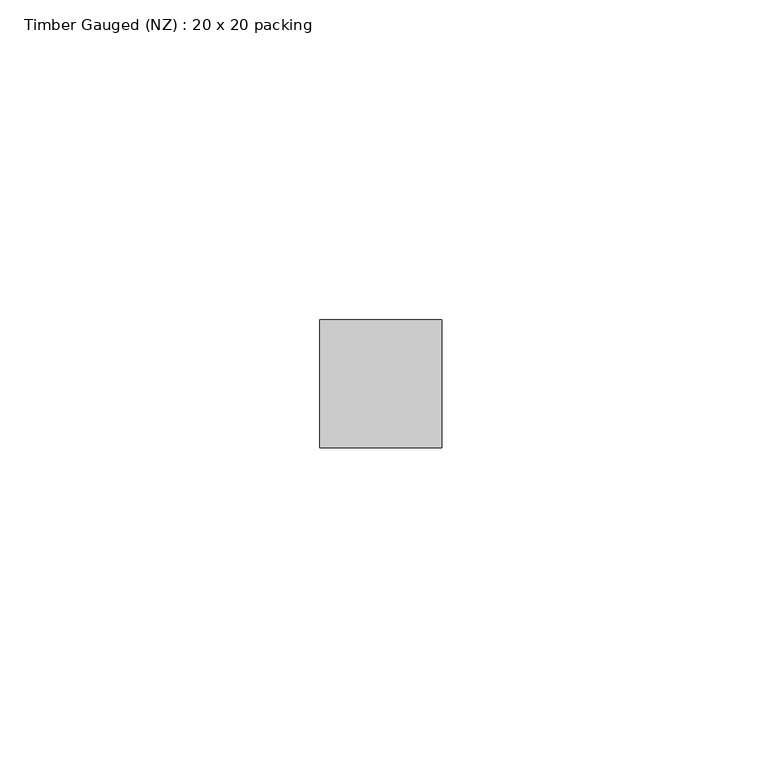
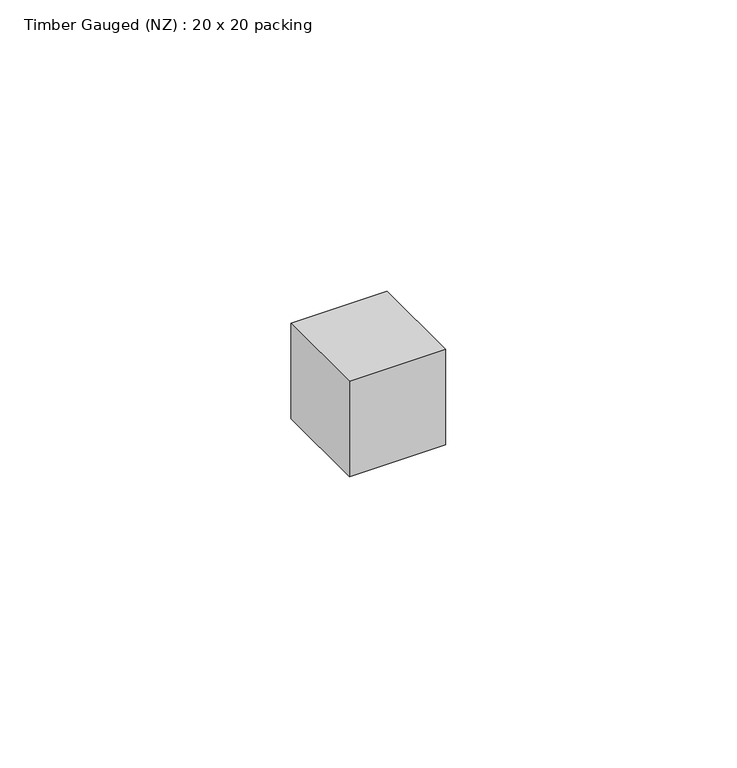
"""IFC4 building model written with IfcOpenShell, lengths in millimetres: beam geometry, Timber Gauged (NZ) : 20 x 20 packing."""

import ifcopenshell
import ifcopenshell.guid

model = None  # the IFC model being written
_history = None  # IfcOwnerHistory: only IFC2X3 demands one
_inside = {}  # id of a spatial element -> (the spatial element, [elements in it])
_under = {}  # id of a project, library or spatial element -> (it, [spatial elements below it])
_declared = {}  # id of a project -> (the project, [libraries it declares])
_typed = {}  # id of a type object -> (the type object, [elements of that type])
_made_of = {}  # id of a material, layer set ... -> (it, [elements and type objects made of it])


def new_model(schema):
    """Start an empty IFC model of exactly this schema.

    Asked for "IFC4X3", IfcOpenShell would pick the latest addendum, in which some entities
    have other attributes; the version numbers below select the first issue.
    IFC2X3 requires an IfcOwnerHistory on every rooted entity: one is made here for all.
    """
    global model, _history
    if schema == "IFC4X3":
        model = ifcopenshell.file(schema_version=(4, 3, 0, 0))
    else:
        model = ifcopenshell.file(schema=schema)
    _inside.clear()
    _under.clear()
    _declared.clear()
    _typed.clear()
    _made_of.clear()
    _history = None
    if model.schema == "IFC2X3":
        org = make("IfcOrganization", Name="unknown")
        user = make(
            "IfcPersonAndOrganization",
            ThePerson=make("IfcPerson", FamilyName="unknown"),
            TheOrganization=org,
        )
        app = make(
            "IfcApplication",
            ApplicationDeveloper=org,
            Version="unknown",
            ApplicationFullName="unknown",
            ApplicationIdentifier="unknown",
        )
        _history = make(
            "IfcOwnerHistory",
            OwningUser=user,
            OwningApplication=app,
            ChangeAction="ADDED",
            CreationDate=0,
        )
    return model


def make(cls, **values):
    """One entity of the class cls with the attributes given. An attribute that is None is left unset."""
    return model.create_entity(
        cls, **{name: value for name, value in values.items() if value is not None}
    )


def rooted(cls, **values):
    """An entity with a GlobalId (a new one), such as an element, a storey or a relation."""
    return make(cls, GlobalId=ifcopenshell.guid.new(), OwnerHistory=_history, **values)


def si_unit(unit_type, name, prefix=None):
    """IfcSIUnit, for example si_unit("LENGTHUNIT", "METRE", prefix="MILLI")."""
    return make("IfcSIUnit", UnitType=unit_type, Prefix=prefix, Name=name)


def assignment(units):
    """IfcUnitAssignment: the units of a project."""
    return None if units is None else make("IfcUnitAssignment", Units=units)


def point(xyz):
    """IfcCartesianPoint."""
    return None if xyz is None else make("IfcCartesianPoint", Coordinates=xyz)


def direction(xyz):
    """IfcDirection."""
    return None if xyz is None else make("IfcDirection", DirectionRatios=xyz)


def frame(location, z_axis=None, x_axis=None):
    """IfcAxis2Placement3D, a coordinate frame: its origin and axes. An axis left out is left unset."""
    return make(
        "IfcAxis2Placement3D",
        Location=point(location),
        Axis=direction(z_axis),
        RefDirection=direction(x_axis),
    )


def origin():
    """The frame at (0, 0, 0) with its axes left unset."""
    return frame((0.0, 0.0, 0.0))


def place(relative_to, where):
    """IfcLocalPlacement: puts the frame where relative to a parent placement (None: the world)."""
    return make(
        "IfcLocalPlacement", PlacementRelTo=relative_to, RelativePlacement=where
    )


def context(
    kind, dimensions, precision=None, world=None, true_north=None, identifier=None
):
    """IfcGeometricRepresentationContext, for example the 3D "Model" context."""
    return make(
        "IfcGeometricRepresentationContext",
        ContextIdentifier=identifier,
        ContextType=kind,
        CoordinateSpaceDimension=dimensions,
        Precision=precision,
        WorldCoordinateSystem=world,
        TrueNorth=true_north,
    )


def project(units=None, contexts=None):
    """IfcProject with its units and contexts."""
    return rooted(
        "IfcProject",
        Name="project",
        RepresentationContexts=contexts,
        UnitsInContext=assignment(units),
    )


def spatial(cls, under=None, at=None, **own):
    """A site, building, storey or space (cls), placed at a placement, below another one or the project."""
    s = rooted(cls, ObjectPlacement=at, **own)
    if under is not None:
        _under.setdefault(under.id(), (under, []))[1].append(s)
    return s


def polyline(points):
    """IfcPolyline through the points."""
    return make("IfcPolyline", Points=[point(p) for p in points])


def outline(outer, holes=None, kind="AREA"):
    """IfcArbitraryClosedProfileDef: a profile drawn as a closed curve; with holes, ...WithVoids."""
    if holes is None:
        return make("IfcArbitraryClosedProfileDef", ProfileType=kind, OuterCurve=outer)
    return make(
        "IfcArbitraryProfileDefWithVoids",
        ProfileType=kind,
        OuterCurve=outer,
        InnerCurves=holes,
    )


def extrude(swept, where, along, depth):
    """IfcExtrudedAreaSolid: the profile swept, set in the frame where, extruded along a direction by depth."""
    return make(
        "IfcExtrudedAreaSolid",
        SweptArea=swept,
        Position=where,
        ExtrudedDirection=direction(along),
        Depth=depth,
    )


def shape(context_of_items, identifier, shape_type, items):
    """IfcShapeRepresentation: the items that make up one representation, for example the "Body"."""
    return make(
        "IfcShapeRepresentation",
        ContextOfItems=context_of_items,
        RepresentationIdentifier=identifier,
        RepresentationType=shape_type,
        Items=items,
    )


def source(mapping_origin, context_of_items, identifier, shape_type, items):
    """IfcRepresentationMap: a shape defined once, which mapped items show again and again."""
    return make(
        "IfcRepresentationMap",
        MappingOrigin=mapping_origin,
        MappedRepresentation=shape(context_of_items, identifier, shape_type, items),
    )


def transform(
    local_origin,
    x_axis=None,
    y_axis=None,
    z_axis=None,
    scale=None,
    scale2=None,
    scale3=None,
    uniform=True,
):
    """IfcCartesianTransformationOperator3D, or its non-uniform kind. x_axis, y_axis, z_axis: its Axis1, 2, 3."""
    if uniform:
        return make(
            "IfcCartesianTransformationOperator3D",
            Axis1=direction(x_axis),
            Axis2=direction(y_axis),
            LocalOrigin=point(local_origin),
            Scale=scale,
            Axis3=direction(z_axis),
        )
    return make(
        "IfcCartesianTransformationOperator3DnonUniform",
        Axis1=direction(x_axis),
        Axis2=direction(y_axis),
        LocalOrigin=point(local_origin),
        Scale=scale,
        Axis3=direction(z_axis),
        Scale2=scale2,
        Scale3=scale3,
    )


def mapped(mapping_source, mapping_target):
    """IfcMappedItem: shows the shape of a source again, moved by a transform."""
    return make(
        "IfcMappedItem", MappingSource=mapping_source, MappingTarget=mapping_target
    )


def made_of(thing, what):
    """Note that an element or type object is made of a material, layer set ...; save() writes the relation."""
    if what is not None:
        _made_of.setdefault(what.id(), (what, []))[1].append(thing)
    return thing


def element(
    cls,
    number,
    at=None,
    inside=None,
    cuts=None,
    type_object=None,
    material=None,
    context=None,
    identifier="Body",
    shape_type=None,
    held_by="IfcProductDefinitionShape",
    body=None,
    shapes=None,
    **own,
):
    """One element of the class cls, such as IfcWall. Its Tag is "e" and its number.

    at: its placement. inside: the storey or other place that contains it. cuts: it is an
    opening in that element (IfcRelVoidsElement). A single representation is given by context,
    identifier, shape_type and body (its items); several are given by shapes. held_by: the class
    of the entity that holds the representations. save() writes the other relations.
    """
    e = rooted(cls, Tag="e%d" % number, ObjectPlacement=at, **own)
    if body is not None:
        shapes = [shape(context, identifier, shape_type, body)]
    if shapes is not None:
        e.Representation = make(held_by, Representations=shapes)
    if inside is not None:
        _inside.setdefault(inside.id(), (inside, []))[1].append(e)
    if cuts is not None:
        rooted(
            "IfcRelVoidsElement", RelatingBuildingElement=cuts, RelatedOpeningElement=e
        )
    if type_object is not None:
        _typed.setdefault(type_object.id(), (type_object, []))[1].append(e)
    return made_of(e, material)


def aggregate(whole, parts):
    """IfcRelAggregates: a whole, such as a stair, and the parts it consists of."""
    return rooted("IfcRelAggregates", RelatingObject=whole, RelatedObjects=parts)


def save(model, path):
    """Write the relations noted so far, then the file.

    IfcRelAggregates (storeys below a building ...), IfcRelContainedInSpatialStructure (elements
    in a storey), IfcRelDefinesByType, IfcRelAssociatesMaterial and IfcRelDeclares: one each for
    every whole, place, type object, material and project.
    """
    for whole, parts in _under.values():
        aggregate(whole, parts)
    for where, things in _inside.values():
        rooted(
            "IfcRelContainedInSpatialStructure",
            RelatedElements=things,
            RelatingStructure=where,
        )
    for kind, things in _typed.values():
        rooted("IfcRelDefinesByType", RelatedObjects=things, RelatingType=kind)
    for what, things in _made_of.values():
        rooted("IfcRelAssociatesMaterial", RelatedObjects=things, RelatingMaterial=what)
    for by, libraries in _declared.values():
        rooted("IfcRelDeclares", RelatingContext=by, RelatedDefinitions=libraries)
    model.write(path)


def timber_gauged_nz_20_x_20_packing_0bf6eff3(model_context):
    return source(origin(), model_context, "Body", "SweptSolid", [
        extrude(outline(polyline([(20.0, 10.0), (20.0, -10.0), (1.0, -10.0), (1.0, 10.0), (20.0, 10.0)])), frame((0.0, 0.0, -10.0), z_axis=(0.0, 0.0, 1.0), x_axis=(1.0, 0.0, 0.0)), (0.0, 0.0, 1.0), 20.0),
    ])


if __name__ == "__main__":
    model = new_model("IFC4")
    model_context = context("Model", 3, world=origin())
    ifc_project = project(units=[si_unit("LENGTHUNIT", "METRE", prefix="MILLI")], contexts=[model_context])
    site = spatial("IfcSite", under=ifc_project)
    building = spatial("IfcBuilding", under=site)
    placement = place(None, origin())
    timber_gauged_nz_20_x_20_packing_shape = timber_gauged_nz_20_x_20_packing_0bf6eff3(model_context)
    element("IfcBeam", 1, ObjectType="Timber Gauged (NZ) : 20 x 20 packing", at=placement, inside=building, context=model_context, shape_type="MappedRepresentation", body=[
        mapped(timber_gauged_nz_20_x_20_packing_shape, transform((0.0, 0.0, 0.0), x_axis=(1.0, 0.0, 0.0), y_axis=(0.0, 1.0, 0.0), z_axis=(0.0, 0.0, 1.0))),
    ])
    save(model, "model.ifc")
